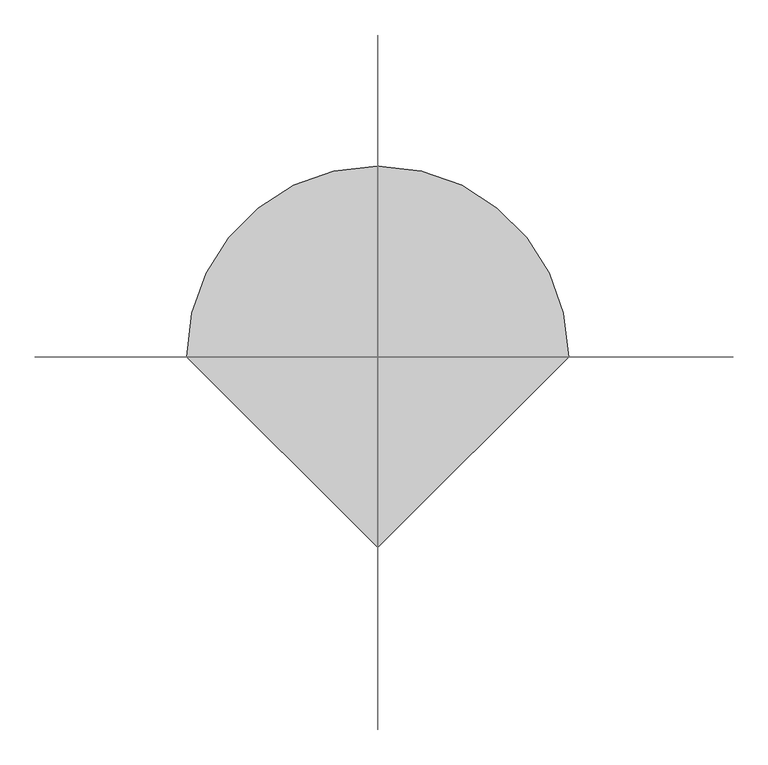
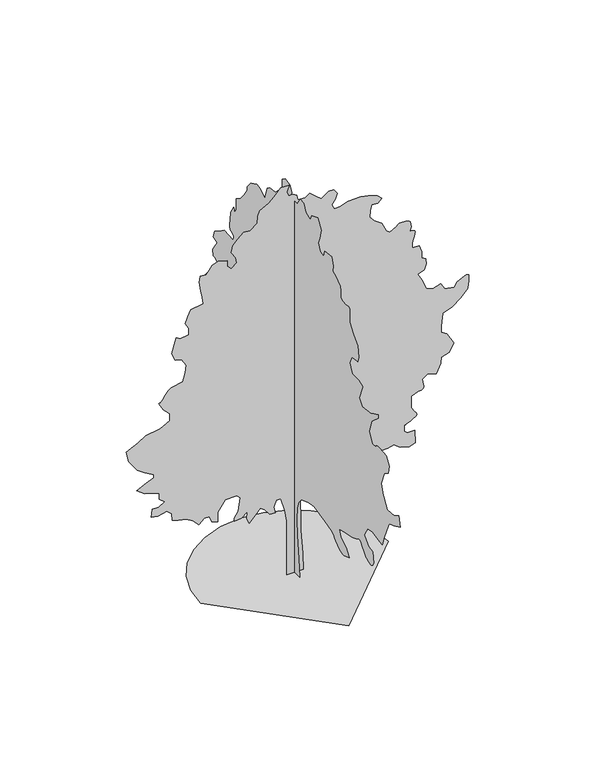
"""IFC4 building model written with IfcOpenShell, lengths in millimetres: geographic element geometry."""

import ifcopenshell
import ifcopenshell.guid

model = None  # the IFC model being written
_history = None  # IfcOwnerHistory: only IFC2X3 demands one
_inside = {}  # id of a spatial element -> (the spatial element, [elements in it])
_under = {}  # id of a project, library or spatial element -> (it, [spatial elements below it])
_declared = {}  # id of a project -> (the project, [libraries it declares])
_typed = {}  # id of a type object -> (the type object, [elements of that type])
_made_of = {}  # id of a material, layer set ... -> (it, [elements and type objects made of it])


def new_model(schema):
    """Start an empty IFC model of exactly this schema.

    Asked for "IFC4X3", IfcOpenShell would pick the latest addendum, in which some entities
    have other attributes; the version numbers below select the first issue.
    IFC2X3 requires an IfcOwnerHistory on every rooted entity: one is made here for all.
    """
    global model, _history
    if schema == "IFC4X3":
        model = ifcopenshell.file(schema_version=(4, 3, 0, 0))
    else:
        model = ifcopenshell.file(schema=schema)
    _inside.clear()
    _under.clear()
    _declared.clear()
    _typed.clear()
    _made_of.clear()
    _history = None
    if model.schema == "IFC2X3":
        org = make("IfcOrganization", Name="unknown")
        user = make(
            "IfcPersonAndOrganization",
            ThePerson=make("IfcPerson", FamilyName="unknown"),
            TheOrganization=org,
        )
        app = make(
            "IfcApplication",
            ApplicationDeveloper=org,
            Version="unknown",
            ApplicationFullName="unknown",
            ApplicationIdentifier="unknown",
        )
        _history = make(
            "IfcOwnerHistory",
            OwningUser=user,
            OwningApplication=app,
            ChangeAction="ADDED",
            CreationDate=0,
        )
    return model


def make(cls, **values):
    """One entity of the class cls with the attributes given. An attribute that is None is left unset."""
    return model.create_entity(
        cls, **{name: value for name, value in values.items() if value is not None}
    )


def rooted(cls, **values):
    """An entity with a GlobalId (a new one), such as an element, a storey or a relation."""
    return make(cls, GlobalId=ifcopenshell.guid.new(), OwnerHistory=_history, **values)


def si_unit(unit_type, name, prefix=None):
    """IfcSIUnit, for example si_unit("LENGTHUNIT", "METRE", prefix="MILLI")."""
    return make("IfcSIUnit", UnitType=unit_type, Prefix=prefix, Name=name)


def assignment(units):
    """IfcUnitAssignment: the units of a project."""
    return None if units is None else make("IfcUnitAssignment", Units=units)


def point(xyz):
    """IfcCartesianPoint."""
    return None if xyz is None else make("IfcCartesianPoint", Coordinates=xyz)


def direction(xyz):
    """IfcDirection."""
    return None if xyz is None else make("IfcDirection", DirectionRatios=xyz)


def frame(location, z_axis=None, x_axis=None):
    """IfcAxis2Placement3D, a coordinate frame: its origin and axes. An axis left out is left unset."""
    return make(
        "IfcAxis2Placement3D",
        Location=point(location),
        Axis=direction(z_axis),
        RefDirection=direction(x_axis),
    )


def origin():
    """The frame at (0, 0, 0) with its axes left unset."""
    return frame((0.0, 0.0, 0.0))


def place(relative_to, where):
    """IfcLocalPlacement: puts the frame where relative to a parent placement (None: the world)."""
    return make(
        "IfcLocalPlacement", PlacementRelTo=relative_to, RelativePlacement=where
    )


def context(
    kind, dimensions, precision=None, world=None, true_north=None, identifier=None
):
    """IfcGeometricRepresentationContext, for example the 3D "Model" context."""
    return make(
        "IfcGeometricRepresentationContext",
        ContextIdentifier=identifier,
        ContextType=kind,
        CoordinateSpaceDimension=dimensions,
        Precision=precision,
        WorldCoordinateSystem=world,
        TrueNorth=true_north,
    )


def project(units=None, contexts=None):
    """IfcProject with its units and contexts."""
    return rooted(
        "IfcProject",
        Name="project",
        RepresentationContexts=contexts,
        UnitsInContext=assignment(units),
    )


def spatial(cls, under=None, at=None, **own):
    """A site, building, storey or space (cls), placed at a placement, below another one or the project."""
    s = rooted(cls, ObjectPlacement=at, **own)
    if under is not None:
        _under.setdefault(under.id(), (under, []))[1].append(s)
    return s


def point_list(points):
    """IfcCartesianPointList2D or 3D."""
    cls = (
        "IfcCartesianPointList2D" if len(points[0]) == 2 else "IfcCartesianPointList3D"
    )
    return make(cls, CoordList=points)


def triangles(points, corners, closed=None, point_numbers=None):
    """IfcTriangulatedFaceSet: each triangle names its three corners, points numbered from 1."""
    return make(
        "IfcTriangulatedFaceSet",
        Coordinates=point_list(points),
        Closed=closed,
        CoordIndex=corners,
        PnIndex=point_numbers,
    )


def shape(context_of_items, identifier, shape_type, items):
    """IfcShapeRepresentation: the items that make up one representation, for example the "Body"."""
    return make(
        "IfcShapeRepresentation",
        ContextOfItems=context_of_items,
        RepresentationIdentifier=identifier,
        RepresentationType=shape_type,
        Items=items,
    )


def source(mapping_origin, context_of_items, identifier, shape_type, items):
    """IfcRepresentationMap: a shape defined once, which mapped items show again and again."""
    return make(
        "IfcRepresentationMap",
        MappingOrigin=mapping_origin,
        MappedRepresentation=shape(context_of_items, identifier, shape_type, items),
    )


def transform(
    local_origin,
    x_axis=None,
    y_axis=None,
    z_axis=None,
    scale=None,
    scale2=None,
    scale3=None,
    uniform=True,
):
    """IfcCartesianTransformationOperator3D, or its non-uniform kind. x_axis, y_axis, z_axis: its Axis1, 2, 3."""
    if uniform:
        return make(
            "IfcCartesianTransformationOperator3D",
            Axis1=direction(x_axis),
            Axis2=direction(y_axis),
            LocalOrigin=point(local_origin),
            Scale=scale,
            Axis3=direction(z_axis),
        )
    return make(
        "IfcCartesianTransformationOperator3DnonUniform",
        Axis1=direction(x_axis),
        Axis2=direction(y_axis),
        LocalOrigin=point(local_origin),
        Scale=scale,
        Axis3=direction(z_axis),
        Scale2=scale2,
        Scale3=scale3,
    )


def mapped(mapping_source, mapping_target):
    """IfcMappedItem: shows the shape of a source again, moved by a transform."""
    return make(
        "IfcMappedItem", MappingSource=mapping_source, MappingTarget=mapping_target
    )


def made_of(thing, what):
    """Note that an element or type object is made of a material, layer set ...; save() writes the relation."""
    if what is not None:
        _made_of.setdefault(what.id(), (what, []))[1].append(thing)
    return thing


def element(
    cls,
    number,
    at=None,
    inside=None,
    cuts=None,
    type_object=None,
    material=None,
    context=None,
    identifier="Body",
    shape_type=None,
    held_by="IfcProductDefinitionShape",
    body=None,
    shapes=None,
    **own,
):
    """One element of the class cls, such as IfcWall. Its Tag is "e" and its number.

    at: its placement. inside: the storey or other place that contains it. cuts: it is an
    opening in that element (IfcRelVoidsElement). A single representation is given by context,
    identifier, shape_type and body (its items); several are given by shapes. held_by: the class
    of the entity that holds the representations. save() writes the other relations.
    """
    e = rooted(cls, Tag="e%d" % number, ObjectPlacement=at, **own)
    if body is not None:
        shapes = [shape(context, identifier, shape_type, body)]
    if shapes is not None:
        e.Representation = make(held_by, Representations=shapes)
    if inside is not None:
        _inside.setdefault(inside.id(), (inside, []))[1].append(e)
    if cuts is not None:
        rooted(
            "IfcRelVoidsElement", RelatingBuildingElement=cuts, RelatedOpeningElement=e
        )
    if type_object is not None:
        _typed.setdefault(type_object.id(), (type_object, []))[1].append(e)
    return made_of(e, material)


def aggregate(whole, parts):
    """IfcRelAggregates: a whole, such as a stair, and the parts it consists of."""
    return rooted("IfcRelAggregates", RelatingObject=whole, RelatedObjects=parts)


def save(model, path):
    """Write the relations noted so far, then the file.

    IfcRelAggregates (storeys below a building ...), IfcRelContainedInSpatialStructure (elements
    in a storey), IfcRelDefinesByType, IfcRelAssociatesMaterial and IfcRelDeclares: one each for
    every whole, place, type object, material and project.
    """
    for whole, parts in _under.values():
        aggregate(whole, parts)
    for where, things in _inside.values():
        rooted(
            "IfcRelContainedInSpatialStructure",
            RelatedElements=things,
            RelatingStructure=where,
        )
    for kind, things in _typed.values():
        rooted("IfcRelDefinesByType", RelatedObjects=things, RelatingType=kind)
    for what, things in _made_of.values():
        rooted("IfcRelAssociatesMaterial", RelatedObjects=things, RelatingMaterial=what)
    for by, libraries in _declared.values():
        rooted("IfcRelDeclares", RelatingContext=by, RelatedDefinitions=libraries)
    model.write(path)


def geographic_element_35dbb388(model_context):
    return source(origin(), model_context, "Body", "Tessellation", [
        triangles([(5.8e-06, -197.3661507, 0.0129526), (5.8e-06, 197.3841547, 0.0129526), (5.8e-06, 171.0676469, 394.7628227), (5.8e-06, 144.750367, 907.9407286), (5.8e-06, 131.5926036, 1197.4234949), (5.8e-06, 171.0676469, 1342.1660408), (5.8e-06, 223.7014255, 1513.2237682), (5.8e-06, 315.8102654, 1565.8587822), (5.8e-06, 526.342909, 1684.2838211), (5.8e-06, 750.035614, 1736.9163643), (5.8e-06, 1052.6783329, 1776.3914257), (5.8e-06, 1263.2109764, 1776.3914257), (5.8e-06, 1355.318581, 1671.1238686), (5.8e-06, 1315.8435196, 1526.38125), (5.8e-06, 1421.1110767, 1486.9061886), (5.8e-06, 1592.1712749, 1579.016264), (5.8e-06, 1595.2388203, 1567.7362839), (5.8e-06, 1599.8038033, 1556.4587746), (5.8e-06, 1607.3613361, 1545.1812653), (5.8e-06, 1619.4088566, 1533.9012852), (5.8e-06, 1637.4388607, 1522.6237759), (5.8e-06, 1662.9487862, 1511.3436504), (5.8e-06, 1697.4363613, 1500.0661411), (5.8e-06, 1733.4588718, 1490.3212418), (5.8e-06, 1763.2689709, 1483.3386738), (5.8e-06, 1787.8963921, 1478.6611977), (5.8e-06, 1808.3814789, 1475.8212547), (5.8e-06, 1825.7589066, 1474.3636402), (5.8e-06, 1841.0665478, 1473.826173), (5.8e-06, 1855.3364616, 1473.7487068), (5.8e-06, 1881.6540413, 1565.8587822), (5.8e-06, 1868.4965595, 1763.2339439), (5.8e-06, 1947.446537, 1842.1839214), (5.8e-06, 2079.029203, 1855.3415485), (5.8e-06, 2184.2967602, 1750.0738461), (5.8e-06, 2434.3044651, 1671.1238686), (5.8e-06, 2500.1020477, 1473.7487068), (5.8e-06, 2618.5270866, 1486.9061886), (5.8e-06, 2723.7770576, 1644.8087597), (5.8e-06, 2723.7770576, 1776.3914257), (5.8e-06, 2750.102195, 1881.6589828), (5.8e-06, 2658.0020027, 2184.299231), (5.8e-06, 2658.0020027, 2355.3594292), (5.8e-06, 2631.6771561, 2618.5270866), (5.8e-06, 2634.7022621, 2618.6770775), (5.8e-06, 2639.0019997, 2619.7520119), (5.8e-06, 2645.8271645, 2622.677124), (5.8e-06, 2656.4520973, 2628.3520683), (5.8e-06, 2672.1523018, 2637.702079), (5.8e-06, 2694.1771202, 2651.6770981), (5.8e-06, 2723.7770576, 2671.1520721), (5.8e-06, 2752.6273315, 2695.2520546), (5.8e-06, 2772.5022812, 2722.1021599), (5.8e-06, 2784.9021057, 2751.2521248), (5.8e-06, 2791.3022964, 2782.2522675), (5.8e-06, 2793.227179, 2814.6273262), (5.8e-06, 2792.1522446, 2847.9273285), (5.8e-06, 2789.5771111, 2881.7023018), (5.8e-06, 2868.5272339, 3013.2774101), (5.8e-06, 2899.4523811, 2993.9524269), (5.8e-06, 2929.8022728, 2977.0272972), (5.8e-06, 2958.9775269, 2964.9524529), (5.8e-06, 2986.4523033, 2960.1024582), (5.8e-06, 3011.6275108, 2964.9524529), (5.8e-06, 3033.902314, 2981.8522934), (5.8e-06, 3052.7523262, 3013.2774101), (5.8e-06, 3184.3274345, 3329.0776108), (5.8e-06, 3144.8525185, 3460.6527191), (5.8e-06, 2894.8523712, 3447.5026497), (5.8e-06, 2750.102195, 3460.6527191), (5.8e-06, 2763.2522644, 3592.2528259), (5.8e-06, 2797.1272316, 3612.2280602), (5.8e-06, 2831.2521835, 3633.7029121), (5.8e-06, 2865.8024002, 3658.1778717), (5.8e-06, 2901.0522835, 3687.1528473), (5.8e-06, 2937.227401, 3722.1030396), (5.8e-06, 2974.5774467, 3764.5280663), (5.8e-06, 3013.2774101, 3815.9281265), (5.8e-06, 3049.3025368, 3866.5782326), (5.8e-06, 3079.102462, 3906.8530998), (5.8e-06, 3103.7274124, 3938.5032028), (5.8e-06, 3124.2276146, 3963.2531456), (5.8e-06, 3141.6024261, 3982.8031151), (5.8e-06, 3156.902655, 3998.9282936), (5.8e-06, 3171.1776558, 4013.3032883), (5.8e-06, 3394.8776642, 4460.7035957), (5.8e-06, 3460.6527191, 4750.1789497), (5.8e-06, 3315.9275414, 4908.0789047), (5.8e-06, 3250.1274879, 4921.2292648), (5.8e-06, 3105.3776024, 5105.4540665), (5.8e-06, 3013.2774101, 5171.2541199), (5.8e-06, 2976.8773064, 5188.2792435), (5.8e-06, 2941.9524033, 5206.0043243), (5.8e-06, 2910.027317, 5225.1043213), (5.8e-06, 2882.6022469, 5246.2791916), (5.8e-06, 2861.1773918, 5270.2294739), (5.8e-06, 2847.2023727, 5297.6045471), (5.8e-06, 2842.2023872, 5329.1543655), (5.8e-06, 2849.1272552, 5359.9042328), (5.8e-06, 2868.4522385, 5385.1544357), (5.8e-06, 2898.1524605, 5405.8043381), (5.8e-06, 2936.1274681, 5422.7544662), (5.8e-06, 2980.3273865, 5436.9541809), (5.8e-06, 3028.6523438, 5449.3045898), (5.8e-06, 3079.0524651, 5460.7294739), (5.8e-06, 3092.227533, 5605.4793594), (5.8e-06, 3026.4274796, 5710.7293304), (5.8e-06, 2921.1522194, 5855.4797974), (5.8e-06, 3079.0524651, 5894.9547134), (5.8e-06, 3026.4274796, 6052.8549591), (5.8e-06, 2855.3771645, 6158.1299286), (5.8e-06, 2658.0020027, 6302.8548157), (5.8e-06, 2486.9394791, 6289.7050369), (5.8e-06, 2329.0393787, 6276.5552582), (5.8e-06, 2302.7217991, 6381.8052292), (5.8e-06, 2381.6719219, 6434.4549225), (5.8e-06, 2395.6744102, 6437.4803192), (5.8e-06, 2409.1019337, 6441.7800568), (5.8e-06, 2421.3769112, 6448.6052216), (5.8e-06, 2431.9269939, 6459.2301544), (5.8e-06, 2440.174601, 6474.9303589), (5.8e-06, 2445.5443314, 6496.9551773), (5.8e-06, 2447.464563, 6526.5551147), (5.8e-06, 2446.3120171, 6563.455188), (5.8e-06, 2443.0918648, 6605.8805054), (5.8e-06, 2438.1420216, 6652.9305405), (5.8e-06, 2431.81203, 6703.6303528), (5.8e-06, 2424.4469273, 6757.1055771), (5.8e-06, 2416.3894249, 6812.4306885), (5.8e-06, 2407.9895016, 6868.6807434), (5.8e-06, 2302.7217991, 7052.905545), (5.8e-06, 2263.246883, 6947.6305756), (5.8e-06, 2197.4542419, 7066.0559052), (5.8e-06, 2197.4542419, 7316.0557617), (5.8e-06, 2026.3966599, 7421.3307312), (5.8e-06, 1907.9714756, 7579.2309769), (5.8e-06, 1789.5464367, 7750.2810013), (5.8e-06, 1789.5464367, 7842.406192), (5.8e-06, 1657.9612999, 8000.3064377), (5.8e-06, 1421.1110767, 8118.7317673), (5.8e-06, 1289.5285561, 8092.4066299), (5.8e-06, 1118.4684305, 7973.9813004), (5.8e-06, 1026.3608259, 8263.4566544), (5.8e-06, 934.2507505, 8329.2567078), (5.8e-06, 723.718107, 8355.5818451), (5.8e-06, 565.8179704, 8513.4820908), (5.8e-06, 460.552884, 8631.906839), (5.8e-06, 460.552884, 8816.1072235), (5.8e-06, 342.1277724, 8895.0570557), (5.8e-06, 184.2254012, 8855.5821396), (5.8e-06, 92.1178238, 8737.15681), (5.8e-06, 105.8898393, 8706.3569458), (5.8e-06, 117.7053427, 8676.8070053), (5.8e-06, 125.607849, 8649.8069092), (5.8e-06, 127.6411006, 8626.6071625), (5.8e-06, 121.8483492, 8608.4571075), (5.8e-06, 106.2730826, 8596.6316666), (5.8e-06, 78.9590612, 8592.4319229), (5.8e-06, -105.2585824, 8592.4319229), (5.8e-06, -223.6836758, 8763.4819473), (5.8e-06, -355.2677771, 8750.3321686), (5.8e-06, -421.0578383, 8592.4319229), (5.8e-06, -592.1179639, 8513.4820908), (5.8e-06, -657.9080252, 8645.0571991), (5.8e-06, -881.6006939, 8737.15681), (5.8e-06, -1026.3433125, 8539.7816483), (5.8e-06, -960.5507441, 8316.106929), (5.8e-06, -907.9182009, 8171.3564621), (5.8e-06, -973.7107693, 8013.4562164), (5.8e-06, -1105.2933626, 7987.1316605), (5.8e-06, -1157.9259058, 8131.881546), (5.8e-06, -1421.0936359, 8158.2066833), (5.8e-06, -1473.7286499, 7973.9813004), (5.8e-06, -1447.4112156, 7842.406192), (5.8e-06, -1565.8362545, 7802.9312759), (5.8e-06, -1736.8938366, 7671.3311691), (5.8e-06, -1750.0539345, 7579.2309769), (5.8e-06, -1750.0539345, 7421.3307312), (5.8e-06, -1815.8439594, 7381.8558151), (5.8e-06, -1973.7440598, 7381.8558151), (5.8e-06, -2004.5116585, 7387.106076), (5.8e-06, -2033.7816742, 7390.055896), (5.8e-06, -2060.05914, 7388.4059967), (5.8e-06, -2081.8492344, 7379.8559372), (5.8e-06, -2097.654229, 7362.1058578), (5.8e-06, -2105.9791569, 7332.8309006), (5.8e-06, -2105.3291965, 7289.7556229), (5.8e-06, -2100.4566742, 7242.4306046), (5.8e-06, -2096.9666256, 7201.3557861), (5.8e-06, -2094.6266521, 7165.4556519), (5.8e-06, -2093.2066807, 7133.6808472), (5.8e-06, -2092.476638, 7105.0308517), (5.8e-06, -2092.2092125, 7078.4307312), (5.8e-06, -2092.1717148, 7052.905545), (5.8e-06, -2223.7542355, 6868.6807434), (5.8e-06, -2394.8119629, 6697.6301376), (5.8e-06, -2434.2870243, 6447.6052826), (5.8e-06, -2407.9719154, 6329.179953), (5.8e-06, -2276.3867786, 6316.0301743), (5.8e-06, -2171.1216923, 6289.7050369), (5.8e-06, -2092.1717148, 6118.6550125), (5.8e-06, -2197.4368011, 5921.2798508), (5.8e-06, -2434.2870243, 5921.2798508), (5.8e-06, -2592.1769508, 5868.6295761), (5.8e-06, -2460.6044586, 5526.5295273), (5.8e-06, -2579.0271721, 5394.9294205), (5.8e-06, -2907.9774422, 5434.4043365), (5.8e-06, -3000.1023422, 5487.0546112), (5.8e-06, -3184.3024361, 5579.1542221), (5.8e-06, -3171.1526573, 5487.0546112), (5.8e-06, -2934.3022888, 5276.5040909), (5.8e-06, -2842.2023872, 4987.0293182), (5.8e-06, -2947.4523582, 4763.3287285), (5.8e-06, -3092.2025345, 4776.5037964), (5.8e-06, -3095.3776314, 4790.453817), (5.8e-06, -3100.752594, 4803.6288849), (5.8e-06, -3110.5025803, 4815.1787613), (5.8e-06, -3126.8024574, 4824.3037857), (5.8e-06, -3151.8526726, 4830.204007), (5.8e-06, -3187.8525101, 4832.0788925), (5.8e-06, -3236.9527107, 4829.1287819), (5.8e-06, -3473.8027885, 4802.8039352), (5.8e-06, -3592.2278275, 4631.7536201), (5.8e-06, -3552.7529114, 4447.5285278), (5.8e-06, -3408.0027351, 4342.2785568), (5.8e-06, -3289.5776962, 4052.7782043), (5.8e-06, -3342.2026817, 3868.5781105), (5.8e-06, -3394.8526657, 3802.7780571), (5.8e-06, -3526.427774, 3579.077758), (5.8e-06, -3789.6029892, 3605.4028954), (5.8e-06, -3960.6533043, 3710.6778648), (5.8e-06, -4013.2782898, 3473.827787), (5.8e-06, -3763.2781425, 3355.4027481), (5.8e-06, -3592.2278275, 3302.7527641), (5.8e-06, -3473.8027885, 3039.6025475), (5.8e-06, -3408.0027351, 2881.7023018), (5.8e-06, -3329.0526123, 2658.0020027), (5.8e-06, -3184.3024361, 2684.32714), (5.8e-06, -2960.6274261, 2723.8020561), (5.8e-06, -2776.4023338, 2684.32714), (5.8e-06, -2644.8272255, 2473.7844681), (5.8e-06, -2815.8772499, 2302.726886), (5.8e-06, -2973.7774956, 2276.4093063), (5.8e-06, -3000.1023422, 2026.3991306), (5.8e-06, -2988.6274612, 2001.2715946), (5.8e-06, -2976.0023598, 1977.6416416), (5.8e-06, -2961.0773987, 1957.0016224), (5.8e-06, -2942.7023575, 1940.8515907), (5.8e-06, -2919.7273064, 1930.6865135), (5.8e-06, -2891.0023155, 1928.001503), (5.8e-06, -2855.352166, 1934.291526), (5.8e-06, -2818.1774002, 1946.7215813), (5.8e-06, -2785.1523811, 1961.2215683), (5.8e-06, -2755.5771515, 1977.4490662), (5.8e-06, -2728.7523354, 1995.0591831), (5.8e-06, -2704.0271004, 2013.7016499), (5.8e-06, -2680.6520737, 2033.0366615), (5.8e-06, -2657.9770042, 2052.7167103), (5.8e-06, -2565.8771027, 2157.9842674), (5.8e-06, -2548.8019821, 2185.796814), (5.8e-06, -2530.801918, 2211.3067394), (5.8e-06, -2510.9769653, 2232.2143295), (5.8e-06, -2488.3795074, 2246.2168179), (5.8e-06, -2462.0994255, 2251.011874), (5.8e-06, -2431.219479, 2244.2993477), (5.8e-06, -2394.8119629, 2223.7767632), (5.8e-06, -2349.1993401, 2197.1142918), (5.8e-06, -2292.5368103, 2173.2142971), (5.8e-06, -2226.6693192, 2151.6167782), (5.8e-06, -2153.4342545, 2131.8592632), (5.8e-06, -2074.6767071, 2113.484222), (5.8e-06, -1992.236681, 2096.0291828), (5.8e-06, -1907.9540348, 2079.0341446), (5.8e-06, -1697.4189205, 2026.3991306), (5.8e-06, -1763.2114162, 1894.8164646), (5.8e-06, -1973.7440598, 1763.2339439), (5.8e-06, -2079.0116169, 1592.1737457), (5.8e-06, -1894.7940823, 1526.38125), (5.8e-06, -1869.3215092, 1526.5736801), (5.8e-06, -1843.2739712, 1527.9161854), (5.8e-06, -1816.0740326, 1531.5611664), (5.8e-06, -1787.1489086, 1538.6586983), (5.8e-06, -1755.9214542, 1550.3587109), (5.8e-06, -1721.8164139, 1567.8137501), (5.8e-06, -1684.2612934, 1592.1737457), (5.8e-06, -1645.5537724, 1620.7538326), (5.8e-06, -1608.2262543, 1650.0238483), (5.8e-06, -1572.0512821, 1679.8712997), (5.8e-06, -1536.796312, 1710.1764267), (5.8e-06, -1502.2312706, 1740.8289162), (5.8e-06, -1468.1262302, 1771.7114788), (5.8e-06, -1434.2511177, 1802.7090054), (5.8e-06, -1171.085931, 1881.6589828), (5.8e-06, -960.5507441, 1921.1340443), (5.8e-06, -750.0181005, 1973.7665874), (5.8e-06, -539.4829499, 1934.291526), (5.8e-06, -249.9999474, 1829.0239689), (5.8e-06, -171.0498791, 1723.7588825), (5.8e-06, -105.2585824, 1539.5412025), (5.8e-06, -78.9410663, 1276.3735451), (5.8e-06, -105.2585824, 921.0982103), (5.8e-06, -157.8911256, 407.9228116), (-2052.3641155, 0.0, 0.0), (-1998.1066715, 470.2653726, 0.0), (-1843.5815105, 902.1307634, 0.0), (-1601.1612785, 1283.2184761, 0.0), (-1283.2184761, 1601.1612785, 0.0), (-902.1307634, 1843.5815105, 0.0), (-470.2653726, 1998.1066715, 0.0), (8.97e-05, 2052.3641155, 0.0), (470.2653726, 1998.1066715, 0.0), (902.1307634, 1843.5815105, 0.0), (1283.2184761, 1601.1612785, 0.0), (1601.1612785, 1283.2184761, 0.0), (1843.5815105, 902.1307634, 0.0), (1998.1066715, 470.2653726, 0.0), (2052.3641155, -0.0001799, 0.0), (-0.0002691, -2052.3641155, 0.0), (196.7396627, -0.0002249, 0.0051811), (-167.0323917, -0.0002249, 0.0051811), (-167.0323917, -0.0001889, 673.6580086), (-167.0323917, -0.0001619, 1023.9583563), (-167.0323917, -0.0001529, 1252.9985184), (-207.4516724, -0.0001349, 1508.988707), (-301.7627399, -0.0001169, 1805.3940159), (-396.0753153, -0.0001169, 1805.3940159), (-449.967847, -0.0001259, 1657.1912888), (-423.0203276, -0.0001349, 1522.4612858), (-544.2779334, -0.0001349, 1535.9337193), (-652.0630331, -0.0001259, 1670.6638676), (-746.3755903, -0.0001259, 1738.0289417), (-854.1581829, -0.0001259, 1616.7713722), (-988.8883312, -0.0001349, 1482.0412239), (-1042.7808266, -0.0001349, 1603.2987934), (-1029.3083204, -0.0001259, 1764.9764248), (-1164.0384687, -0.0001259, 1657.1912888), (-1312.243594, -0.0001259, 1643.7188553), (-1312.243594, -0.0001259, 1711.0839294), (-1231.4034702, -0.0001169, 1845.8139324), (-1190.9859518, -9.89e-05, 2142.2217121), (-1258.3509533, -9.89e-05, 2209.5867863), (-1514.3386711, -9.89e-05, 2209.5867863), (-1676.0138317, -0.0001079, 1980.5440807), (-1676.0138317, -0.0001169, 1886.2339943), (-1676.0138317, -0.0001259, 1751.503846), (-1810.7464508, -0.0001169, 1805.3940159), (-1864.6389462, -0.0001079, 1940.126635), (-1972.4216114, -0.0001079, 1940.126635), (-2093.6791809, -0.0001169, 1832.3414989), (-2228.4093292, -0.0001079, 1967.0716473), (-2363.1419483, -0.0001079, 2047.9091549), (-2538.3020416, -9.89e-05, 2088.3292168), (-2673.0272484, -9.89e-05, 2142.2217121), (-2686.502298, -8.99e-05, 2290.4242939), (-2794.2771149, -8.1e-05, 2384.7369965), (-2996.3772789, -8.99e-05, 2344.3169346), (-3131.1024857, -8.1e-05, 2371.2644176), (-3117.6274361, -7.2e-05, 2546.4021286), (-2969.4274704, -7.2e-05, 2546.4021286), (-2834.7022636, -7.2e-05, 2627.2521355), (-2955.9524208, -6.3e-05, 2721.5521935), (-2955.9524208, -5.4e-05, 2856.3023987), (-3090.6776276, -5.4e-05, 2910.1773079), (-3279.302742, -5.4e-05, 2964.0775063), (-3454.4528069, -4.5e-05, 3098.8024223), (-3238.8775932, -3.6e-05, 3193.1274788), (-3077.202578, -3.6e-05, 3260.4777283), (-3077.202578, -2.7e-05, 3327.8526855), (-3279.302742, -1.8e-05, 3449.1028427), (-3440.9777573, -1.8e-05, 3570.3779984), (-3629.6028717, 0.0, 3826.3530716), (-3683.5030701, 1.8e-05, 4068.8783844), (-3575.7279625, 1.8e-05, 4122.7532936), (-3427.5027077, 2.7e-05, 4190.1282509), (-3252.3526428, 2.7e-05, 4297.9033585), (-2942.4773712, 3.6e-05, 4351.8035568), (-2726.9021576, 3.6e-05, 4459.5786644), (-2726.9021576, 4.5e-05, 4621.2536797), (-2875.1274124, 5.4e-05, 4769.4789345), (-2969.4274704, 7.2e-05, 4944.6289993), (-2960.6274261, 7.2e-05, 4942.0541565), (-2951.0024323, 7.2e-05, 4941.5041901), (-2939.7272484, 7.2e-05, 4944.978978), (-2925.9775063, 7.2e-05, 4954.4289825), (-2908.9273842, 7.2e-05, 4971.9040787), (-2887.7772217, 7.2e-05, 4999.4041443), (-2861.6523628, 7.2e-05, 5038.9290573), (-2833.9523094, 7.2e-05, 5080.8038269), (-2808.3771263, 8.1e-05, 5114.904071), (-2784.5771255, 8.1e-05, 5142.5041306), (-2762.17733, 8.1e-05, 5164.9289246), (-2740.8521782, 8.1e-05, 5183.4789551), (-2720.2272743, 8.1e-05, 5199.4291443), (-2699.9770569, 8.1e-05, 5214.0794128), (-2443.9796013, 8.99e-05, 5267.9790298), (-2390.0869606, 9.89e-05, 5456.6041443), (-2363.1419483, 0.0001079, 5618.2797409), (-2470.9270844, 0.0001169, 5779.9547562), (-2605.6520004, 0.0001169, 5820.3546158), (-2686.502298, 0.0001349, 5995.5049713), (-2632.6020996, 0.0001439, 6184.1300858), (-2592.1769508, 0.0001529, 6332.3303421), (-2497.8719513, 0.0001439, 6278.4551422), (-2309.2493076, 0.0001529, 6305.4052414), (-2309.2493076, 0.0001619, 6453.6054977), (-2390.0869606, 0.0001619, 6588.3304138), (-2336.1943199, 0.0001709, 6736.5306702), (-2268.8293911, 0.0001799, 6871.2555862), (-1999.3690945, 0.0001889, 6911.6804443), (-2012.8416733, 0.0001979, 7073.3554596), (-2053.2615898, 0.0002069, 7221.5557159), (-2080.2067474, 0.0002159, 7437.1309296), (-2066.7341686, 0.0002249, 7571.8558456), (-1932.0040203, 0.0002249, 7558.3810867), (-1864.6389462, 0.0002249, 7639.2313843), (-1797.2740173, 0.0002339, 7733.5314423), (-1662.5413982, 0.0002339, 7773.9563004), (-1473.9187546, 0.0002339, 7720.056102), (-1473.9187546, 0.0002249, 7598.8059448), (-1379.6086681, 0.0002249, 7504.5058868), (-1258.3509533, 0.0002249, 7598.8059448), (-1285.2959656, 0.0002339, 7733.5314423), (-1379.6086681, 0.0002429, 7881.7311172), (-1352.6610397, 0.0002519, 8029.9563721), (-1244.876049, 0.0002609, 8137.7317703), (-1110.1459007, 0.0002698, 8258.9819275), (-961.9432463, 0.0002609, 8245.5065872), (-813.7406645, 0.0002698, 8366.7817429), (-800.2656149, 0.0002788, 8514.9819992), (-759.8480965, 0.0002878, 8636.2321564), (-557.7504395, 0.0002968, 8730.5572128), (-436.49287, 0.0002968, 8838.3320297), (-301.7627399, 0.0003058, 9000.007045), (-113.1403415, 0.0003058, 9000.007045), (-167.0323917, 0.0002968, 8851.80737), (-126.6133563, 0.0002968, 8757.4823135), (-32.3020254, 0.0002968, 8757.4823135), (48.5362907, 0.0002878, 8703.6071136), (75.4823112, 0.0002878, 8595.8067169), (237.1586891, 0.0002878, 8582.331958), (331.4702834, 0.0002878, 8649.7069153), (466.2003591, 0.0002788, 8541.9320984), (587.4579649, 0.0002788, 8434.1317017), (749.1355963, 0.0002788, 8555.4068573), (856.9206596, 0.0002788, 8555.4068573), (937.7582399, 0.0002788, 8447.6070419), (897.3382507, 0.0002698, 8312.8815445), (816.5006704, 0.0002609, 8218.5814865), (870.3932384, 0.0002609, 8110.7816711), (991.650808, 0.0002609, 8110.7816711), (1180.2734516, 0.0002609, 8178.1566284), (1449.7336029, 0.0002609, 8178.1566284), (1611.4112343, 0.0002609, 8151.2065292), (1813.5064568, 0.0002519, 8083.831572), (1907.819014, 0.0002519, 7989.531514), (1826.9790356, 0.0002429, 7895.2064575), (1692.2488873, 0.0002429, 7908.6812164), (1665.303875, 0.0002339, 7787.4310593), (1651.8288254, 0.0002249, 7639.2313843), (1746.1413826, 0.0002249, 7517.9812271), (1907.819014, 0.0002159, 7410.1808304), (2015.6016792, 0.0001979, 7194.6056168), (2082.9667534, 0.0001979, 7140.7309982), (2244.6443848, 0.0002069, 7221.5557159), (2247.8267487, 0.0002069, 7233.0305969), (2252.7742664, 0.0002069, 7244.0310883), (2261.259359, 0.0002069, 7254.0810562), (2275.0468895, 0.0002069, 7262.7311096), (2295.9043373, 0.0002069, 7269.4806976), (2325.5993271, 0.0002069, 7273.8810104), (2365.9019543, 0.0002069, 7275.4559143), (2407.7743984, 0.0002069, 7273.8810104), (2441.8695557, 0.0002069, 7269.4806976), (2469.4844398, 0.0002069, 7262.7311096), (2491.9121407, 0.0002069, 7254.0810562), (2510.4519974, 0.0002069, 7244.0310883), (2526.4018959, 0.0002069, 7233.0305969), (2541.0521645, 0.0002069, 7221.5557159), (2554.5269234, 0.0001979, 7100.3055588), (2527.5771149, 0.0001889, 7006.0055008), (2558.951944, 0.0001889, 7005.5555283), (2588.1021996, 0.0001889, 7002.5307129), (2612.7771469, 0.0001889, 6994.330632), (2630.7272141, 0.0001889, 6978.3304459), (2639.7272461, 0.0001889, 6951.9808914), (2637.5270897, 0.0001889, 6912.6553848), (2621.9021713, 0.0001799, 6857.7808273), (2602.3272034, 0.0001799, 6799.7802979), (2589.127137, 0.0001799, 6751.6553284), (2581.2270378, 0.0001709, 6711.7804367), (2577.5769699, 0.0001709, 6678.5051422), (2577.1019989, 0.0001709, 6650.2051254), (2578.7521889, 0.0001709, 6625.1804901), (2581.4770226, 0.0001709, 6601.8051727), (2729.6772789, 0.0001709, 6601.8051727), (2783.5771866, 0.0001529, 6440.1301575), (2783.5771866, 0.0001529, 6305.4052414), (2877.8772446, 0.0001439, 6251.505043), (2891.3522942, 0.0001349, 6130.2548859), (2837.4523865, 0.0001349, 6008.9797302), (2702.7271797, 0.0001259, 5955.1045303), (2797.0522362, 0.0001169, 5779.9547562), (2891.3522942, 0.0001079, 5564.3795425), (3026.0775009, 9.89e-05, 5497.0045853), (3201.2275658, 0.0001079, 5550.9042023), (3295.5526222, 9.89e-05, 5402.7045273), (3497.6277878, 8.99e-05, 5375.7544281), (3565.0027451, 9.89e-05, 5470.0544861), (3619.4779083, 9.89e-05, 5501.3043228), (3671.7279167, 9.89e-05, 5529.3293564), (3719.5029076, 0.0001079, 5551.0291946), (3760.5280197, 0.0001079, 5563.1546173), (3792.6280952, 0.0001079, 5562.5796524), (3813.5279823, 0.0001079, 5546.0794968), (3821.0031075, 9.89e-05, 5510.4793442), (3820.2031563, 9.89e-05, 5465.8541611), (3818.0029999, 9.89e-05, 5424.0793854), (3814.6282059, 8.99e-05, 5384.6294678), (3810.3031792, 8.99e-05, 5347.0794342), (3805.2781952, 8.99e-05, 5310.9543137), (3799.7779495, 8.99e-05, 5275.7541367), (3794.0530083, 8.99e-05, 5241.029512), (3645.8530426, 7.2e-05, 5079.3539154), (3457.2279282, 6.3e-05, 4931.1542404), (3241.6527145, 6.3e-05, 4863.7789925), (3214.7026154, 4.5e-05, 4567.3787704), (3214.7026154, 3.6e-05, 4432.6285652), (3335.9527725, 3.6e-05, 4351.8035568), (3484.1777367, 1.8e-05, 4095.8031944), (3389.8526802, 9e-06, 3907.2030785), (3214.7026154, 0.0, 3853.3031708), (3201.2275658, -9e-06, 3718.577964), (3106.9275078, -1.8e-05, 3503.0027504), (2918.3023933, -1.8e-05, 3570.3779984), (2801.5522522, -1.8e-05, 3481.1779198), (2800.6773056, -1.8e-05, 3482.6028328), (2800.3023285, -1.8e-05, 3481.8278801), (2800.9522888, -1.8e-05, 3476.6779037), (2803.1271561, -1.8e-05, 3464.9277489), (2807.3521889, -1.8e-05, 3444.4028389), (2814.1523552, -2.7e-05, 3412.9277252), (2823.9773369, -2.7e-05, 3368.2778343), (2830.0272583, -2.7e-05, 3322.9776924), (2826.1772026, -2.7e-05, 3289.7026886), (2814.0773598, -3.6e-05, 3266.4526543), (2795.4023369, -3.6e-05, 3251.202713), (2771.752327, -3.6e-05, 3241.9776947), (2744.8022278, -3.6e-05, 3236.7527229), (2716.2022293, -3.6e-05, 3233.5276291), (2554.5269234, -3.6e-05, 3179.6524292), (2554.5269234, -5.4e-05, 2910.1773079), (2635.3522224, -6.3e-05, 2788.9271507), (2655.0521828, -6.3e-05, 2771.5273407), (2671.5520477, -6.3e-05, 2753.652269), (2681.6773018, -6.3e-05, 2734.8272552), (2682.2522667, -6.3e-05, 2714.602327), (2670.1271347, -6.3e-05, 2692.5022224), (2642.0771027, -7.2e-05, 2668.0272629), (2594.9520721, -7.2e-05, 2640.7271851), (2543.4770164, -7.2e-05, 2615.3769882), (2503.35214, -7.2e-05, 2596.4269821), (2472.6243645, -7.2e-05, 2582.7519447), (2449.4496162, -7.2e-05, 2573.3269386), (2431.9319355, -7.2e-05, 2567.0770294), (2418.1845188, -7.2e-05, 2562.9519905), (2406.3218708, -7.2e-05, 2559.8771782), (2406.3218708, -8.1e-05, 2425.156913), (2473.6870903, -8.99e-05, 2357.7893681), (2635.3522224, -8.99e-05, 2357.7893681), (2648.827272, -9.89e-05, 2074.856638), (2514.1020653, -0.0001079, 2020.9641426), (2312.0093136, -9.89e-05, 2088.3292168), (2177.2793106, -9.89e-05, 2182.641774), (2042.5491623, -9.89e-05, 2155.6942909), (1800.0340233, -9.89e-05, 2142.2217121), (1651.8288254, -9.89e-05, 2101.8016502), (1638.3563919, -0.0001169, 1913.1790066), (1490.1536648, -0.0001169, 1899.7065731), (1301.5310211, -0.0001169, 1913.1790066), (1220.6910427, -0.0001169, 1791.9214371), (937.7582399, -0.0001259, 1751.503846), (722.1881132, -0.0001169, 1805.3940159), (722.1881132, -0.0001349, 1589.8262146), (547.0404465, -0.0001349, 1603.2987934), (493.1479148, -0.0001259, 1711.0839294), (398.8353212, -0.0001259, 1670.6638676), (291.0502397, -0.0001259, 1670.6638676), (250.6327031, -0.0001169, 1791.9214371), (142.8473672, -0.0001259, 1670.6638676), (129.3743524, -0.0001349, 1522.4612858), (142.8473672, -0.0001529, 1293.4185802), (142.8473672, -0.0001709, 916.1732203), (183.2666479, -0.0002069, 377.2503016)], [[131, 130, 132], [209, 208, 210], [210, 208, 211], [208, 207, 211], [231, 230, 232], [232, 230, 233], [277, 276, 278], [230, 229, 233], [233, 229, 234], [1, 302, 2], [2, 302, 3], [3, 302, 4], [302, 301, 4], [4, 301, 5], [301, 300, 5], [5, 300, 6], [300, 299, 6], [6, 299, 7], [109, 108, 110], [204, 203, 205], [207, 206, 211], [211, 206, 212], [110, 108, 111], [203, 202, 205], [14, 13, 15], [15, 13, 16], [237, 236, 238], [172, 171, 173], [171, 170, 173], [173, 170, 174], [37, 36, 38], [38, 36, 39], [39, 36, 40], [276, 275, 278], [278, 275, 279], [279, 275, 280], [280, 275, 281], [281, 275, 282], [282, 275, 283], [283, 275, 284], [284, 275, 285], [285, 275, 286], [286, 275, 287], [287, 275, 288], [288, 275, 289], [289, 275, 290], [275, 274, 290], [290, 274, 291], [291, 274, 292], [68, 67, 69], [67, 66, 69], [165, 164, 166], [166, 164, 167], [164, 163, 167], [167, 163, 168], [243, 242, 244], [30, 29, 31], [105, 104, 106], [198, 197, 199], [29, 28, 31], [299, 298, 7], [69, 66, 70], [66, 65, 70], [65, 64, 70], [64, 63, 70], [63, 62, 70], [62, 61, 70], [61, 60, 70], [60, 59, 70], [28, 27, 31], [151, 150, 152], [161, 160, 162], [160, 159, 162], [197, 196, 199], [196, 195, 199], [199, 195, 200], [27, 26, 31], [134, 133, 135], [244, 242, 245], [245, 242, 246], [246, 242, 247], [247, 242, 248], [248, 242, 249], [249, 242, 250], [250, 242, 251], [251, 242, 252], [252, 242, 253], [253, 242, 254], [254, 242, 255], [255, 242, 256], [256, 242, 257], [257, 242, 258], [258, 242, 259], [242, 241, 259], [259, 241, 260], [260, 241, 261], [261, 241, 262], [262, 241, 263], [263, 241, 264], [7, 298, 8], [292, 274, 293], [148, 147, 149], [149, 147, 150], [150, 147, 152], [152, 147, 153], [153, 147, 154], [154, 147, 155], [155, 147, 156], [40, 36, 41], [41, 36, 42], [36, 35, 42], [35, 34, 42], [42, 34, 43], [87, 86, 88], [88, 86, 89], [43, 34, 44], [106, 104, 107], [104, 103, 107], [103, 102, 107], [26, 25, 31], [31, 25, 32], [25, 24, 32], [24, 23, 32], [23, 22, 32], [22, 21, 32], [21, 20, 32], [20, 19, 32], [19, 18, 32], [18, 17, 32], [17, 16, 32], [16, 13, 32], [13, 12, 32], [107, 102, 108], [102, 101, 108], [130, 129, 132], [147, 146, 156], [101, 100, 108], [238, 236, 239], [156, 146, 157], [222, 221, 223], [223, 221, 224], [224, 221, 225], [221, 220, 225], [220, 219, 225], [219, 218, 225], [218, 217, 225], [217, 216, 225], [216, 215, 225], [215, 214, 225], [214, 213, 225], [225, 213, 226], [34, 33, 44], [236, 235, 239], [8, 298, 9], [298, 297, 9], [32, 12, 33], [59, 58, 70], [176, 175, 177], [86, 85, 89], [89, 85, 90], [90, 85, 91], [91, 85, 92], [85, 84, 92], [92, 84, 93], [84, 83, 93], [83, 82, 93], [93, 82, 94], [82, 81, 94], [81, 80, 94], [94, 80, 95], [80, 79, 95], [33, 12, 44], [79, 78, 95], [78, 77, 95], [77, 76, 95], [76, 75, 95], [75, 74, 95], [74, 73, 95], [73, 72, 95], [72, 71, 95], [95, 71, 96], [111, 108, 112], [112, 108, 113], [108, 100, 113], [113, 100, 114], [100, 99, 114], [99, 98, 114], [195, 194, 200], [129, 128, 132], [138, 137, 139], [177, 175, 178], [175, 174, 178], [264, 241, 265], [140, 139, 141], [141, 139, 142], [139, 137, 142], [234, 229, 235], [235, 229, 239], [229, 228, 239], [228, 227, 239], [239, 227, 240], [227, 226, 240], [226, 213, 240], [137, 136, 142], [143, 142, 144], [144, 142, 145], [146, 145, 157], [128, 127, 132], [12, 11, 44], [174, 170, 178], [200, 194, 201], [96, 71, 97], [157, 145, 158], [170, 169, 178], [213, 212, 240], [212, 206, 240], [206, 205, 240], [240, 205, 241], [241, 205, 265], [265, 205, 266], [266, 205, 267], [267, 205, 268], [268, 205, 269], [269, 205, 270], [270, 205, 271], [271, 205, 272], [272, 205, 273], [273, 205, 274], [274, 205, 293], [293, 205, 294], [294, 205, 295], [205, 202, 295], [295, 202, 296], [202, 201, 296], [296, 201, 297], [297, 201, 9], [9, 201, 10], [10, 201, 11], [11, 201, 44], [201, 194, 44], [194, 193, 44], [44, 193, 45], [45, 193, 46], [46, 193, 47], [47, 193, 48], [48, 193, 49], [49, 193, 50], [50, 193, 51], [51, 193, 52], [52, 193, 53], [53, 193, 54], [54, 193, 55], [55, 193, 56], [56, 193, 57], [57, 193, 58], [58, 193, 70], [70, 193, 71], [71, 193, 97], [97, 193, 98], [98, 193, 114], [114, 193, 115], [193, 192, 115], [192, 191, 115], [191, 190, 115], [190, 189, 115], [189, 188, 115], [188, 187, 115], [187, 186, 115], [186, 185, 115], [185, 184, 115], [184, 183, 115], [183, 182, 115], [182, 181, 115], [181, 180, 115], [180, 179, 115], [179, 178, 115], [178, 169, 115], [169, 168, 115], [168, 163, 115], [163, 162, 115], [162, 159, 115], [159, 158, 115], [158, 145, 115], [145, 142, 115], [142, 136, 115], [136, 135, 115], [135, 133, 115], [133, 132, 115], [132, 127, 115], [127, 126, 115], [115, 126, 116], [126, 125, 116], [125, 124, 116], [124, 123, 116], [123, 122, 116], [122, 121, 116], [116, 121, 117], [121, 120, 117], [117, 120, 118], [120, 119, 118], [318, 317, 303], [317, 316, 303], [303, 316, 304], [316, 315, 304], [304, 315, 305], [305, 315, 306], [315, 314, 306], [314, 313, 306], [306, 313, 307], [307, 313, 308], [308, 313, 309], [309, 313, 310], [310, 313, 311], [311, 313, 312], [380, 379, 381], [381, 379, 382], [365, 364, 366], [345, 344, 346], [333, 332, 334], [434, 433, 435], [328, 327, 329], [402, 401, 403], [329, 327, 330], [346, 344, 347], [344, 343, 347], [334, 332, 335], [433, 432, 435], [382, 379, 383], [535, 534, 536], [337, 336, 338], [338, 336, 339], [336, 335, 339], [583, 582, 584], [584, 582, 585], [319, 593, 320], [320, 593, 321], [593, 592, 321], [321, 592, 322], [592, 591, 322], [322, 591, 323], [413, 412, 414], [332, 331, 335], [323, 591, 324], [591, 590, 324], [569, 568, 570], [570, 568, 571], [571, 568, 572], [572, 568, 573], [568, 567, 573], [349, 348, 350], [533, 532, 534], [455, 454, 456], [456, 454, 457], [454, 453, 457], [358, 357, 359], [357, 356, 359], [356, 355, 359], [359, 355, 360], [364, 363, 366], [366, 363, 367], [590, 589, 324], [324, 589, 325], [577, 576, 578], [372, 371, 373], [339, 335, 340], [383, 379, 384], [505, 504, 506], [441, 440, 442], [418, 417, 419], [327, 326, 330], [495, 494, 496], [587, 586, 588], [363, 362, 367], [435, 432, 436], [589, 588, 325], [330, 326, 331], [353, 352, 354], [586, 585, 588], [453, 452, 457], [335, 331, 340], [384, 379, 385], [417, 416, 419], [416, 415, 419], [412, 411, 414], [532, 531, 534], [529, 528, 530], [530, 528, 531], [528, 527, 531], [432, 431, 436], [415, 414, 419], [414, 411, 419], [419, 411, 420], [411, 410, 420], [410, 409, 420], [578, 576, 579], [373, 371, 374], [371, 370, 374], [374, 370, 375], [370, 369, 375], [375, 369, 376], [369, 368, 376], [376, 368, 377], [408, 407, 409], [457, 452, 458], [452, 451, 458], [451, 450, 458], [458, 450, 459], [498, 497, 499], [499, 497, 500], [500, 497, 501], [446, 445, 447], [445, 444, 447], [444, 443, 447], [447, 443, 448], [331, 326, 340], [361, 360, 362], [496, 494, 497], [406, 405, 407], [407, 405, 409], [399, 398, 400], [400, 398, 401], [401, 398, 403], [403, 398, 404], [398, 397, 404], [580, 579, 581], [497, 494, 501], [426, 425, 427], [385, 379, 386], [430, 429, 431], [531, 527, 534], [478, 477, 479], [477, 476, 479], [476, 475, 479], [475, 474, 479], [474, 473, 479], [479, 473, 480], [473, 472, 480], [472, 471, 480], [471, 470, 480], [470, 469, 480], [469, 468, 480], [468, 467, 480], [467, 466, 480], [466, 465, 480], [465, 464, 480], [464, 463, 480], [567, 566, 573], [573, 566, 574], [574, 566, 575], [429, 428, 431], [431, 428, 436], [423, 422, 424], [424, 422, 425], [425, 422, 427], [422, 421, 427], [343, 342, 347], [438, 437, 439], [437, 436, 439], [436, 428, 439], [379, 378, 386], [386, 378, 387], [387, 378, 388], [388, 378, 389], [389, 378, 390], [390, 378, 391], [391, 378, 392], [392, 378, 393], [393, 378, 394], [394, 378, 395], [585, 582, 588], [352, 351, 354], [514, 513, 515], [513, 512, 515], [512, 511, 515], [515, 511, 516], [511, 510, 516], [516, 510, 517], [510, 509, 517], [517, 509, 518], [518, 509, 519], [509, 508, 519], [508, 507, 519], [519, 507, 520], [520, 507, 521], [521, 507, 522], [522, 507, 523], [523, 507, 524], [507, 506, 524], [524, 506, 525], [506, 504, 525], [504, 503, 525], [355, 354, 360], [581, 579, 582], [347, 342, 348], [348, 342, 350], [350, 342, 351], [351, 342, 354], [354, 342, 360], [360, 342, 362], [362, 342, 367], [367, 342, 368], [368, 342, 377], [342, 341, 377], [450, 449, 459], [534, 527, 536], [405, 404, 409], [377, 341, 378], [378, 341, 395], [395, 341, 396], [525, 503, 526], [442, 440, 443], [556, 555, 557], [555, 554, 557], [557, 554, 558], [554, 553, 558], [553, 552, 558], [558, 552, 559], [552, 551, 559], [559, 551, 560], [560, 551, 561], [561, 551, 562], [562, 551, 563], [563, 551, 564], [564, 551, 565], [565, 551, 566], [566, 551, 575], [551, 550, 575], [575, 550, 576], [461, 460, 462], [484, 483, 485], [483, 482, 485], [485, 482, 486], [482, 481, 486], [486, 481, 487], [481, 480, 487], [487, 480, 488], [480, 463, 488], [488, 463, 489], [489, 463, 490], [490, 463, 491], [491, 463, 492], [492, 463, 493], [493, 463, 494], [494, 463, 501], [396, 341, 397], [341, 340, 397], [340, 326, 397], [326, 325, 397], [325, 588, 397], [588, 582, 397], [582, 579, 397], [579, 576, 397], [576, 550, 397], [397, 550, 404], [404, 550, 409], [409, 550, 420], [420, 550, 421], [550, 549, 421], [421, 549, 427], [427, 549, 428], [428, 549, 439], [439, 549, 440], [440, 549, 443], [443, 549, 448], [448, 549, 449], [449, 549, 459], [459, 549, 460], [460, 549, 462], [462, 549, 463], [463, 549, 501], [501, 549, 502], [502, 549, 503], [549, 548, 503], [548, 547, 503], [527, 526, 536], [526, 503, 536], [545, 544, 546], [544, 543, 546], [546, 543, 547], [543, 542, 547], [542, 541, 547], [541, 540, 547], [536, 503, 537], [503, 547, 537], [537, 547, 538], [538, 547, 539], [547, 540, 539]], closed=False),
    ])


if __name__ == "__main__":
    model = new_model("IFC4")
    model_context = context("Model", 3, world=origin())
    ifc_project = project(units=[si_unit("LENGTHUNIT", "METRE", prefix="MILLI")], contexts=[model_context])
    site = spatial("IfcSite", under=ifc_project)
    building = spatial("IfcBuilding", under=site)
    placement = place(None, origin())
    geographic_element_shape = geographic_element_35dbb388(model_context)
    element("IfcGeographicElement", 1, at=placement, inside=building, context=model_context, shape_type="MappedRepresentation", body=[
        mapped(geographic_element_shape, transform((0.0, 0.0, 0.0), x_axis=(1.0, 0.0, 0.0), y_axis=(0.0, 1.0, 0.0), z_axis=(0.0, 0.0, 1.0))),
    ])
    save(model, "model.ifc")
